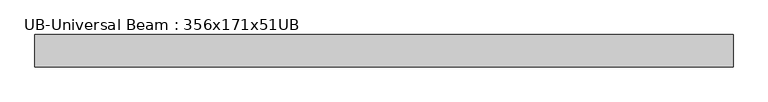
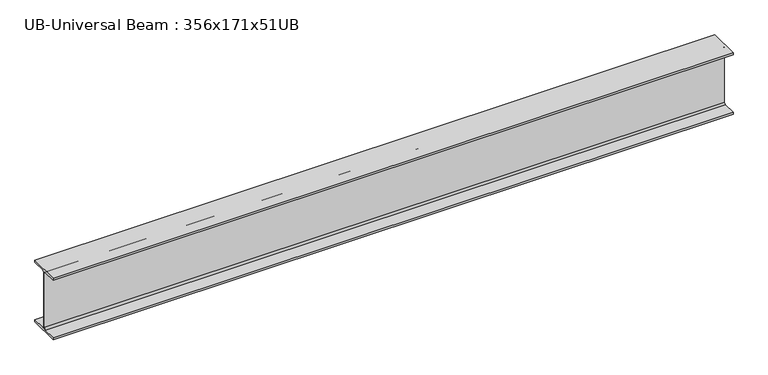
"""IFC4 building model written with IfcOpenShell, lengths in millimetres: beam geometry, UB-Universal Beam : 356x171x51UB."""

from ifc_helpers import new_model, si_unit, point, frame, frame_2d, origin, place, context, project, spatial, polyline, circle_curve, trimmed, segment, composite_curve, outline, extrude, source, transform, mapped, element, save


def ub_universal_beam_356x171x51ub_4cf3404b(model_context):
    return source(origin(), model_context, "Body", "SweptSolid", [
        extrude(outline(composite_curve([segment(polyline([(85.75, -166.0), (85.75, -177.5), (-85.75, -177.5), (-85.75, -166.0), (-13.9, -166.0)]), True, "CONTINUOUS"), segment(trimmed(circle_curve(frame_2d((-13.9, -155.8)), 10.2), [point((-13.9, -166.0))], [point((-3.7, -155.8))], True, "CARTESIAN"), True, "CONTINUOUS"), segment(polyline([(-3.7, -155.8), (-3.7, 155.8)]), True, "CONTINUOUS"), segment(trimmed(circle_curve(frame_2d((-13.9, 155.8)), 10.2), [point((-3.7, 155.8))], [point((-13.9, 166.0))], True, "CARTESIAN"), True, "CONTINUOUS"), segment(polyline([(-13.9, 166.0), (-85.75, 166.0), (-85.75, 177.5), (85.75, 177.5), (85.75, 166.0), (13.9, 166.0)]), True, "CONTINUOUS"), segment(trimmed(circle_curve(frame_2d((13.9, 155.8)), 10.2), [point((13.9, 166.0))], [point((3.7, 155.8))], True, "CARTESIAN"), True, "CONTINUOUS"), segment(polyline([(3.7, 155.8), (3.7, -155.8)]), True, "CONTINUOUS"), segment(trimmed(circle_curve(frame_2d((13.9, -155.8)), 10.2), [point((3.7, -155.8))], [point((13.9, -166.0))], True, "CARTESIAN"), True, "CONTINUOUS"), segment(polyline([(13.9, -166.0), (85.75, -166.0)]), True, "CONTINUOUS")], self_intersect=False)), frame((-1855.3, 0.0, 0.0), z_axis=(1.0, 0.0, 0.0), x_axis=(0.0, 1.0, 0.0)), (0.0, 0.0, 1.0), 3710.6),
    ])


if __name__ == "__main__":
    model = new_model("IFC4")
    model_context = context("Model", 3, world=origin())
    ifc_project = project(units=[si_unit("LENGTHUNIT", "METRE", prefix="MILLI")], contexts=[model_context])
    site = spatial("IfcSite", under=ifc_project)
    building = spatial("IfcBuilding", under=site)
    placement = place(None, origin())
    ub_universal_beam_356x171x51ub_shape = ub_universal_beam_356x171x51ub_4cf3404b(model_context)
    element("IfcBeam", 1, ObjectType="UB-Universal Beam : 356x171x51UB", at=placement, inside=building, context=model_context, shape_type="MappedRepresentation", body=[
        mapped(ub_universal_beam_356x171x51ub_shape, transform((0.0, 0.0, 0.0), x_axis=(1.0, 0.0, 0.0), y_axis=(0.0, 1.0, 0.0), z_axis=(0.0, 0.0, 1.0))),
    ])
    save(model, "model.ifc")
